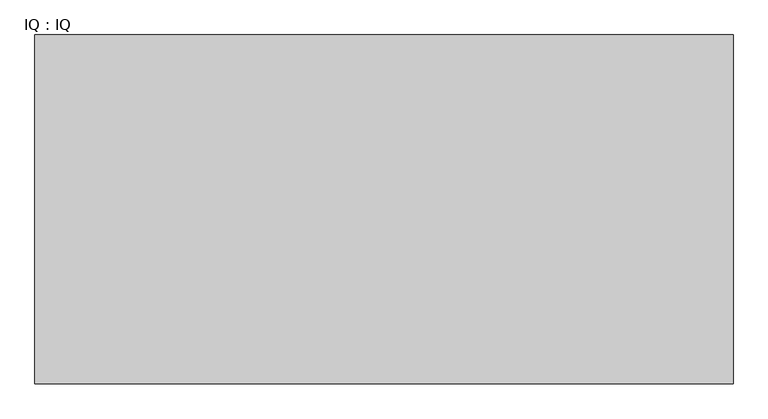
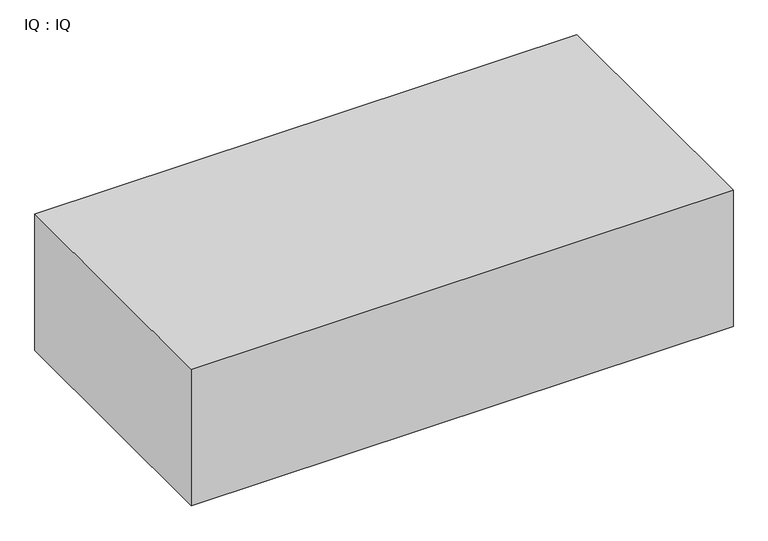
"""IFC4 building model written with IfcOpenShell, lengths in millimetres: proxy geometry, IQ : IQ."""

from ifc_helpers import new_model, si_unit, origin, origin_with_axes, place, context, project, spatial, polyline, outline, extrude, source, transform, mapped, element, save


def iq_iq_f5a76615(model_context):
    return source(origin(), model_context, "Body", "SweptSolid", [
        extrude(outline(polyline([(1500.0, 750.0), (1500.0, 0.0), (0.0, 0.0), (0.0, 750.0), (1500.0, 750.0)])), origin_with_axes(), (0.0, 0.0, 1.0), 400.0),
    ])


if __name__ == "__main__":
    model = new_model("IFC4")
    model_context = context("Model", 3, world=origin())
    ifc_project = project(units=[si_unit("LENGTHUNIT", "METRE", prefix="MILLI")], contexts=[model_context])
    site = spatial("IfcSite", under=ifc_project)
    building = spatial("IfcBuilding", under=site)
    placement = place(None, origin())
    iq_iq_shape = iq_iq_f5a76615(model_context)
    element("IfcBuildingElementProxy", 1, Name="IQ : IQ", ObjectType="IQ : IQ", at=placement, inside=building, context=model_context, shape_type="MappedRepresentation", body=[
        mapped(iq_iq_shape, transform((0.0, 0.0, 0.0), x_axis=(1.0, 0.0, 0.0), y_axis=(0.0, 1.0, 0.0), z_axis=(0.0, 0.0, 1.0))),
    ])
    save(model, "model.ifc")
